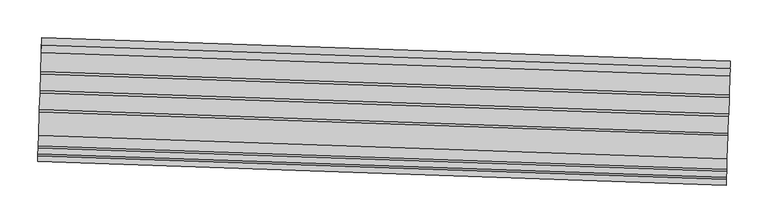
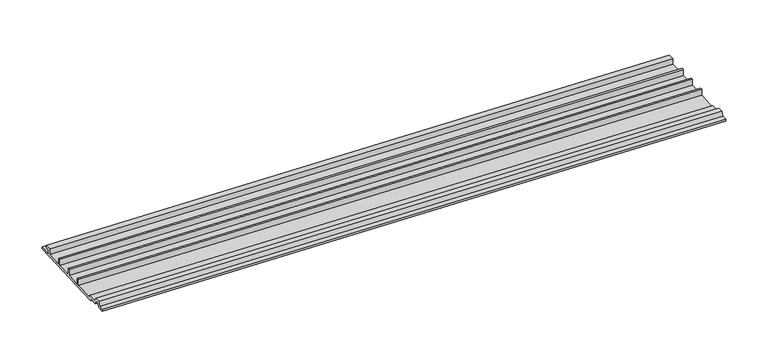
"""IFC4 building model written with IfcOpenShell, lengths in millimetres: proxy geometry."""

import ifcopenshell
import ifcopenshell.guid

model = None  # the IFC model being written
_history = None  # IfcOwnerHistory: only IFC2X3 demands one
_inside = {}  # id of a spatial element -> (the spatial element, [elements in it])
_under = {}  # id of a project, library or spatial element -> (it, [spatial elements below it])
_declared = {}  # id of a project -> (the project, [libraries it declares])
_typed = {}  # id of a type object -> (the type object, [elements of that type])
_made_of = {}  # id of a material, layer set ... -> (it, [elements and type objects made of it])


def new_model(schema):
    """Start an empty IFC model of exactly this schema.

    Asked for "IFC4X3", IfcOpenShell would pick the latest addendum, in which some entities
    have other attributes; the version numbers below select the first issue.
    IFC2X3 requires an IfcOwnerHistory on every rooted entity: one is made here for all.
    """
    global model, _history
    if schema == "IFC4X3":
        model = ifcopenshell.file(schema_version=(4, 3, 0, 0))
    else:
        model = ifcopenshell.file(schema=schema)
    _inside.clear()
    _under.clear()
    _declared.clear()
    _typed.clear()
    _made_of.clear()
    _history = None
    if model.schema == "IFC2X3":
        org = make("IfcOrganization", Name="unknown")
        user = make(
            "IfcPersonAndOrganization",
            ThePerson=make("IfcPerson", FamilyName="unknown"),
            TheOrganization=org,
        )
        app = make(
            "IfcApplication",
            ApplicationDeveloper=org,
            Version="unknown",
            ApplicationFullName="unknown",
            ApplicationIdentifier="unknown",
        )
        _history = make(
            "IfcOwnerHistory",
            OwningUser=user,
            OwningApplication=app,
            ChangeAction="ADDED",
            CreationDate=0,
        )
    return model


def make(cls, **values):
    """One entity of the class cls with the attributes given. An attribute that is None is left unset."""
    return model.create_entity(
        cls, **{name: value for name, value in values.items() if value is not None}
    )


def rooted(cls, **values):
    """An entity with a GlobalId (a new one), such as an element, a storey or a relation."""
    return make(cls, GlobalId=ifcopenshell.guid.new(), OwnerHistory=_history, **values)


def si_unit(unit_type, name, prefix=None):
    """IfcSIUnit, for example si_unit("LENGTHUNIT", "METRE", prefix="MILLI")."""
    return make("IfcSIUnit", UnitType=unit_type, Prefix=prefix, Name=name)


def assignment(units):
    """IfcUnitAssignment: the units of a project."""
    return None if units is None else make("IfcUnitAssignment", Units=units)


def point(xyz):
    """IfcCartesianPoint."""
    return None if xyz is None else make("IfcCartesianPoint", Coordinates=xyz)


def direction(xyz):
    """IfcDirection."""
    return None if xyz is None else make("IfcDirection", DirectionRatios=xyz)


def frame(location, z_axis=None, x_axis=None):
    """IfcAxis2Placement3D, a coordinate frame: its origin and axes. An axis left out is left unset."""
    return make(
        "IfcAxis2Placement3D",
        Location=point(location),
        Axis=direction(z_axis),
        RefDirection=direction(x_axis),
    )


def origin():
    """The frame at (0, 0, 0) with its axes left unset."""
    return frame((0.0, 0.0, 0.0))


def place(relative_to, where):
    """IfcLocalPlacement: puts the frame where relative to a parent placement (None: the world)."""
    return make(
        "IfcLocalPlacement", PlacementRelTo=relative_to, RelativePlacement=where
    )


def context(
    kind, dimensions, precision=None, world=None, true_north=None, identifier=None
):
    """IfcGeometricRepresentationContext, for example the 3D "Model" context."""
    return make(
        "IfcGeometricRepresentationContext",
        ContextIdentifier=identifier,
        ContextType=kind,
        CoordinateSpaceDimension=dimensions,
        Precision=precision,
        WorldCoordinateSystem=world,
        TrueNorth=true_north,
    )


def project(units=None, contexts=None):
    """IfcProject with its units and contexts."""
    return rooted(
        "IfcProject",
        Name="project",
        RepresentationContexts=contexts,
        UnitsInContext=assignment(units),
    )


def spatial(cls, under=None, at=None, **own):
    """A site, building, storey or space (cls), placed at a placement, below another one or the project."""
    s = rooted(cls, ObjectPlacement=at, **own)
    if under is not None:
        _under.setdefault(under.id(), (under, []))[1].append(s)
    return s


def polyline(points):
    """IfcPolyline through the points."""
    return make("IfcPolyline", Points=[point(p) for p in points])


def outline(outer, holes=None, kind="AREA"):
    """IfcArbitraryClosedProfileDef: a profile drawn as a closed curve; with holes, ...WithVoids."""
    if holes is None:
        return make("IfcArbitraryClosedProfileDef", ProfileType=kind, OuterCurve=outer)
    return make(
        "IfcArbitraryProfileDefWithVoids",
        ProfileType=kind,
        OuterCurve=outer,
        InnerCurves=holes,
    )


def extrude(swept, where, along, depth):
    """IfcExtrudedAreaSolid: the profile swept, set in the frame where, extruded along a direction by depth."""
    return make(
        "IfcExtrudedAreaSolid",
        SweptArea=swept,
        Position=where,
        ExtrudedDirection=direction(along),
        Depth=depth,
    )


def shape(context_of_items, identifier, shape_type, items):
    """IfcShapeRepresentation: the items that make up one representation, for example the "Body"."""
    return make(
        "IfcShapeRepresentation",
        ContextOfItems=context_of_items,
        RepresentationIdentifier=identifier,
        RepresentationType=shape_type,
        Items=items,
    )


def source(mapping_origin, context_of_items, identifier, shape_type, items):
    """IfcRepresentationMap: a shape defined once, which mapped items show again and again."""
    return make(
        "IfcRepresentationMap",
        MappingOrigin=mapping_origin,
        MappedRepresentation=shape(context_of_items, identifier, shape_type, items),
    )


def transform(
    local_origin,
    x_axis=None,
    y_axis=None,
    z_axis=None,
    scale=None,
    scale2=None,
    scale3=None,
    uniform=True,
):
    """IfcCartesianTransformationOperator3D, or its non-uniform kind. x_axis, y_axis, z_axis: its Axis1, 2, 3."""
    if uniform:
        return make(
            "IfcCartesianTransformationOperator3D",
            Axis1=direction(x_axis),
            Axis2=direction(y_axis),
            LocalOrigin=point(local_origin),
            Scale=scale,
            Axis3=direction(z_axis),
        )
    return make(
        "IfcCartesianTransformationOperator3DnonUniform",
        Axis1=direction(x_axis),
        Axis2=direction(y_axis),
        LocalOrigin=point(local_origin),
        Scale=scale,
        Axis3=direction(z_axis),
        Scale2=scale2,
        Scale3=scale3,
    )


def mapped(mapping_source, mapping_target):
    """IfcMappedItem: shows the shape of a source again, moved by a transform."""
    return make(
        "IfcMappedItem", MappingSource=mapping_source, MappingTarget=mapping_target
    )


def made_of(thing, what):
    """Note that an element or type object is made of a material, layer set ...; save() writes the relation."""
    if what is not None:
        _made_of.setdefault(what.id(), (what, []))[1].append(thing)
    return thing


def element(
    cls,
    number,
    at=None,
    inside=None,
    cuts=None,
    type_object=None,
    material=None,
    context=None,
    identifier="Body",
    shape_type=None,
    held_by="IfcProductDefinitionShape",
    body=None,
    shapes=None,
    **own,
):
    """One element of the class cls, such as IfcWall. Its Tag is "e" and its number.

    at: its placement. inside: the storey or other place that contains it. cuts: it is an
    opening in that element (IfcRelVoidsElement). A single representation is given by context,
    identifier, shape_type and body (its items); several are given by shapes. held_by: the class
    of the entity that holds the representations. save() writes the other relations.
    """
    e = rooted(cls, Tag="e%d" % number, ObjectPlacement=at, **own)
    if body is not None:
        shapes = [shape(context, identifier, shape_type, body)]
    if shapes is not None:
        e.Representation = make(held_by, Representations=shapes)
    if inside is not None:
        _inside.setdefault(inside.id(), (inside, []))[1].append(e)
    if cuts is not None:
        rooted(
            "IfcRelVoidsElement", RelatingBuildingElement=cuts, RelatedOpeningElement=e
        )
    if type_object is not None:
        _typed.setdefault(type_object.id(), (type_object, []))[1].append(e)
    return made_of(e, material)


def aggregate(whole, parts):
    """IfcRelAggregates: a whole, such as a stair, and the parts it consists of."""
    return rooted("IfcRelAggregates", RelatingObject=whole, RelatedObjects=parts)


def save(model, path):
    """Write the relations noted so far, then the file.

    IfcRelAggregates (storeys below a building ...), IfcRelContainedInSpatialStructure (elements
    in a storey), IfcRelDefinesByType, IfcRelAssociatesMaterial and IfcRelDeclares: one each for
    every whole, place, type object, material and project.
    """
    for whole, parts in _under.values():
        aggregate(whole, parts)
    for where, things in _inside.values():
        rooted(
            "IfcRelContainedInSpatialStructure",
            RelatedElements=things,
            RelatingStructure=where,
        )
    for kind, things in _typed.values():
        rooted("IfcRelDefinesByType", RelatedObjects=things, RelatingType=kind)
    for what, things in _made_of.values():
        rooted("IfcRelAssociatesMaterial", RelatedObjects=things, RelatingMaterial=what)
    for by, libraries in _declared.values():
        rooted("IfcRelDeclares", RelatingContext=by, RelatedDefinitions=libraries)
    model.write(path)


def generic_models_96eb159f(model_context):
    return source(origin(), model_context, "Body", "SweptSolid", [
        extrude(outline(polyline([(0.0, 0.0), (16.66875, 0.0), (16.66875, 4.9129906), (10.31875, 4.9129906), (10.31875, 8.8104386), (19.8437499, 8.8104386), (19.8437499, 1e-07), (45.24375, 1e-07), (45.24375, 9.5250002), (48.41875, 9.5250002), (48.41875, 3e-07), (70.64375, 3e-07), (70.64375, 9.5250004), (73.8187499, 9.5250004), (73.8187499, 4e-07), (96.04375, 4e-07), (96.04375, 9.5250005), (99.21875, 9.5250005), (99.21875, 6e-07), (130.175, 6e-07), (130.175, 3.1750007), (144.0273019, 3.1750007), (146.8433294, 9.2139914), (154.7816705, 9.2139914), (157.5976981, 3.1750008), (165.1, 3.1750008), (165.1, 8e-07), (155.575, 8e-07), (153.0459233, 5.4236232), (148.5790766, 5.4236232), (146.05, 7e-07), (133.35, 7e-07), (133.35, -3.175), (0.0, -3.175), (0.0, 0.0)])), frame((34371.7211076, -14969.4680043, 2962.281727), z_axis=(-0.999414947590805, 0.03420179135759884, 0.0), x_axis=(-0.03420179135759884, -0.999414947590805, 0.0)), (0.0, 0.0, 1.0), 914.4),
    ])


if __name__ == "__main__":
    model = new_model("IFC4")
    model_context = context("Model", 3, world=origin())
    ifc_project = project(units=[si_unit("LENGTHUNIT", "METRE", prefix="MILLI")], contexts=[model_context])
    site = spatial("IfcSite", under=ifc_project)
    building = spatial("IfcBuilding", under=site)
    placement = place(None, origin())
    generic_models_shape = generic_models_96eb159f(model_context)
    element("IfcBuildingElementProxy", 1, Name="Generic Models", at=placement, inside=building, context=model_context, shape_type="MappedRepresentation", body=[
        mapped(generic_models_shape, transform((0.0, 0.0, 0.0), x_axis=(1.0, 0.0, 0.0), y_axis=(0.0, 1.0, 0.0), z_axis=(0.0, 0.0, 1.0))),
    ])
    save(model, "model.ifc")
